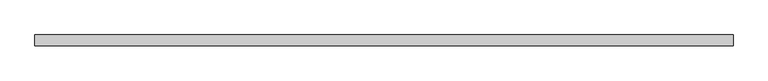
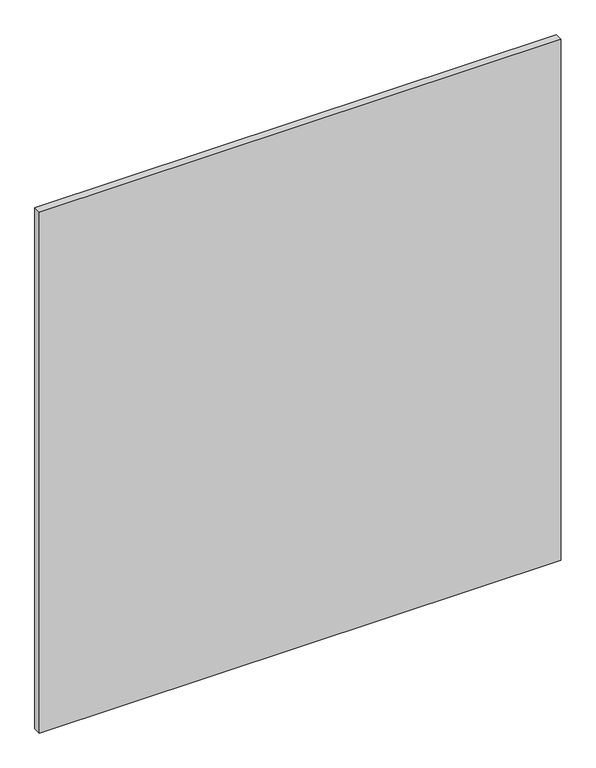
"""IFC4 building model written with IfcOpenShell, lengths in millimetres: plate geometry."""

import ifcopenshell
import ifcopenshell.guid

model = None  # the IFC model being written
_history = None  # IfcOwnerHistory: only IFC2X3 demands one
_inside = {}  # id of a spatial element -> (the spatial element, [elements in it])
_under = {}  # id of a project, library or spatial element -> (it, [spatial elements below it])
_declared = {}  # id of a project -> (the project, [libraries it declares])
_typed = {}  # id of a type object -> (the type object, [elements of that type])
_made_of = {}  # id of a material, layer set ... -> (it, [elements and type objects made of it])


def new_model(schema):
    """Start an empty IFC model of exactly this schema.

    Asked for "IFC4X3", IfcOpenShell would pick the latest addendum, in which some entities
    have other attributes; the version numbers below select the first issue.
    IFC2X3 requires an IfcOwnerHistory on every rooted entity: one is made here for all.
    """
    global model, _history
    if schema == "IFC4X3":
        model = ifcopenshell.file(schema_version=(4, 3, 0, 0))
    else:
        model = ifcopenshell.file(schema=schema)
    _inside.clear()
    _under.clear()
    _declared.clear()
    _typed.clear()
    _made_of.clear()
    _history = None
    if model.schema == "IFC2X3":
        org = make("IfcOrganization", Name="unknown")
        user = make(
            "IfcPersonAndOrganization",
            ThePerson=make("IfcPerson", FamilyName="unknown"),
            TheOrganization=org,
        )
        app = make(
            "IfcApplication",
            ApplicationDeveloper=org,
            Version="unknown",
            ApplicationFullName="unknown",
            ApplicationIdentifier="unknown",
        )
        _history = make(
            "IfcOwnerHistory",
            OwningUser=user,
            OwningApplication=app,
            ChangeAction="ADDED",
            CreationDate=0,
        )
    return model


def make(cls, **values):
    """One entity of the class cls with the attributes given. An attribute that is None is left unset."""
    return model.create_entity(
        cls, **{name: value for name, value in values.items() if value is not None}
    )


def rooted(cls, **values):
    """An entity with a GlobalId (a new one), such as an element, a storey or a relation."""
    return make(cls, GlobalId=ifcopenshell.guid.new(), OwnerHistory=_history, **values)


def si_unit(unit_type, name, prefix=None):
    """IfcSIUnit, for example si_unit("LENGTHUNIT", "METRE", prefix="MILLI")."""
    return make("IfcSIUnit", UnitType=unit_type, Prefix=prefix, Name=name)


def assignment(units):
    """IfcUnitAssignment: the units of a project."""
    return None if units is None else make("IfcUnitAssignment", Units=units)


def point(xyz):
    """IfcCartesianPoint."""
    return None if xyz is None else make("IfcCartesianPoint", Coordinates=xyz)


def direction(xyz):
    """IfcDirection."""
    return None if xyz is None else make("IfcDirection", DirectionRatios=xyz)


def frame(location, z_axis=None, x_axis=None):
    """IfcAxis2Placement3D, a coordinate frame: its origin and axes. An axis left out is left unset."""
    return make(
        "IfcAxis2Placement3D",
        Location=point(location),
        Axis=direction(z_axis),
        RefDirection=direction(x_axis),
    )


def origin():
    """The frame at (0, 0, 0) with its axes left unset."""
    return frame((0.0, 0.0, 0.0))


def origin_with_axes():
    """The frame at (0, 0, 0) with the z axis (0, 0, 1) and the x axis (1, 0, 0) written out."""
    return frame((0.0, 0.0, 0.0), z_axis=(0.0, 0.0, 1.0), x_axis=(1.0, 0.0, 0.0))


def place(relative_to, where):
    """IfcLocalPlacement: puts the frame where relative to a parent placement (None: the world)."""
    return make(
        "IfcLocalPlacement", PlacementRelTo=relative_to, RelativePlacement=where
    )


def context(
    kind, dimensions, precision=None, world=None, true_north=None, identifier=None
):
    """IfcGeometricRepresentationContext, for example the 3D "Model" context."""
    return make(
        "IfcGeometricRepresentationContext",
        ContextIdentifier=identifier,
        ContextType=kind,
        CoordinateSpaceDimension=dimensions,
        Precision=precision,
        WorldCoordinateSystem=world,
        TrueNorth=true_north,
    )


def project(units=None, contexts=None):
    """IfcProject with its units and contexts."""
    return rooted(
        "IfcProject",
        Name="project",
        RepresentationContexts=contexts,
        UnitsInContext=assignment(units),
    )


def spatial(cls, under=None, at=None, **own):
    """A site, building, storey or space (cls), placed at a placement, below another one or the project."""
    s = rooted(cls, ObjectPlacement=at, **own)
    if under is not None:
        _under.setdefault(under.id(), (under, []))[1].append(s)
    return s


def polyline(points):
    """IfcPolyline through the points."""
    return make("IfcPolyline", Points=[point(p) for p in points])


def outline(outer, holes=None, kind="AREA"):
    """IfcArbitraryClosedProfileDef: a profile drawn as a closed curve; with holes, ...WithVoids."""
    if holes is None:
        return make("IfcArbitraryClosedProfileDef", ProfileType=kind, OuterCurve=outer)
    return make(
        "IfcArbitraryProfileDefWithVoids",
        ProfileType=kind,
        OuterCurve=outer,
        InnerCurves=holes,
    )


def extrude(swept, where, along, depth):
    """IfcExtrudedAreaSolid: the profile swept, set in the frame where, extruded along a direction by depth."""
    return make(
        "IfcExtrudedAreaSolid",
        SweptArea=swept,
        Position=where,
        ExtrudedDirection=direction(along),
        Depth=depth,
    )


def shape(context_of_items, identifier, shape_type, items):
    """IfcShapeRepresentation: the items that make up one representation, for example the "Body"."""
    return make(
        "IfcShapeRepresentation",
        ContextOfItems=context_of_items,
        RepresentationIdentifier=identifier,
        RepresentationType=shape_type,
        Items=items,
    )


def source(mapping_origin, context_of_items, identifier, shape_type, items):
    """IfcRepresentationMap: a shape defined once, which mapped items show again and again."""
    return make(
        "IfcRepresentationMap",
        MappingOrigin=mapping_origin,
        MappedRepresentation=shape(context_of_items, identifier, shape_type, items),
    )


def transform(
    local_origin,
    x_axis=None,
    y_axis=None,
    z_axis=None,
    scale=None,
    scale2=None,
    scale3=None,
    uniform=True,
):
    """IfcCartesianTransformationOperator3D, or its non-uniform kind. x_axis, y_axis, z_axis: its Axis1, 2, 3."""
    if uniform:
        return make(
            "IfcCartesianTransformationOperator3D",
            Axis1=direction(x_axis),
            Axis2=direction(y_axis),
            LocalOrigin=point(local_origin),
            Scale=scale,
            Axis3=direction(z_axis),
        )
    return make(
        "IfcCartesianTransformationOperator3DnonUniform",
        Axis1=direction(x_axis),
        Axis2=direction(y_axis),
        LocalOrigin=point(local_origin),
        Scale=scale,
        Axis3=direction(z_axis),
        Scale2=scale2,
        Scale3=scale3,
    )


def mapped(mapping_source, mapping_target):
    """IfcMappedItem: shows the shape of a source again, moved by a transform."""
    return make(
        "IfcMappedItem", MappingSource=mapping_source, MappingTarget=mapping_target
    )


def made_of(thing, what):
    """Note that an element or type object is made of a material, layer set ...; save() writes the relation."""
    if what is not None:
        _made_of.setdefault(what.id(), (what, []))[1].append(thing)
    return thing


def element(
    cls,
    number,
    at=None,
    inside=None,
    cuts=None,
    type_object=None,
    material=None,
    context=None,
    identifier="Body",
    shape_type=None,
    held_by="IfcProductDefinitionShape",
    body=None,
    shapes=None,
    **own,
):
    """One element of the class cls, such as IfcWall. Its Tag is "e" and its number.

    at: its placement. inside: the storey or other place that contains it. cuts: it is an
    opening in that element (IfcRelVoidsElement). A single representation is given by context,
    identifier, shape_type and body (its items); several are given by shapes. held_by: the class
    of the entity that holds the representations. save() writes the other relations.
    """
    e = rooted(cls, Tag="e%d" % number, ObjectPlacement=at, **own)
    if body is not None:
        shapes = [shape(context, identifier, shape_type, body)]
    if shapes is not None:
        e.Representation = make(held_by, Representations=shapes)
    if inside is not None:
        _inside.setdefault(inside.id(), (inside, []))[1].append(e)
    if cuts is not None:
        rooted(
            "IfcRelVoidsElement", RelatingBuildingElement=cuts, RelatedOpeningElement=e
        )
    if type_object is not None:
        _typed.setdefault(type_object.id(), (type_object, []))[1].append(e)
    return made_of(e, material)


def aggregate(whole, parts):
    """IfcRelAggregates: a whole, such as a stair, and the parts it consists of."""
    return rooted("IfcRelAggregates", RelatingObject=whole, RelatedObjects=parts)


def save(model, path):
    """Write the relations noted so far, then the file.

    IfcRelAggregates (storeys below a building ...), IfcRelContainedInSpatialStructure (elements
    in a storey), IfcRelDefinesByType, IfcRelAssociatesMaterial and IfcRelDeclares: one each for
    every whole, place, type object, material and project.
    """
    for whole, parts in _under.values():
        aggregate(whole, parts)
    for where, things in _inside.values():
        rooted(
            "IfcRelContainedInSpatialStructure",
            RelatedElements=things,
            RelatingStructure=where,
        )
    for kind, things in _typed.values():
        rooted("IfcRelDefinesByType", RelatedObjects=things, RelatingType=kind)
    for what, things in _made_of.values():
        rooted("IfcRelAssociatesMaterial", RelatedObjects=things, RelatingMaterial=what)
    for by, libraries in _declared.values():
        rooted("IfcRelDeclares", RelatingContext=by, RelatedDefinitions=libraries)
    model.write(path)


def plate_68764f82(model_context):
    return source(origin(), model_context, "Body", "SweptSolid", [
        extrude(outline(polyline([(834.8903712, -12.7), (-834.8903712, -12.7), (-834.8903712, 12.7), (834.8903712, 12.7), (834.8903712, -12.7)])), origin_with_axes(), (0.0, 0.0, 1.0), 1761.3),
    ])


if __name__ == "__main__":
    model = new_model("IFC4")
    model_context = context("Model", 3, world=origin())
    ifc_project = project(units=[si_unit("LENGTHUNIT", "METRE", prefix="MILLI")], contexts=[model_context])
    site = spatial("IfcSite", under=ifc_project)
    building = spatial("IfcBuilding", under=site)
    placement = place(None, origin())
    plate_shape = plate_68764f82(model_context)
    element("IfcPlate", 1, at=placement, inside=building, context=model_context, shape_type="MappedRepresentation", body=[
        mapped(plate_shape, transform((0.0, 0.0, 0.0), x_axis=(1.0, 0.0, 0.0), y_axis=(0.0, 1.0, 0.0), z_axis=(0.0, 0.0, 1.0))),
    ])
    save(model, "model.ifc")
